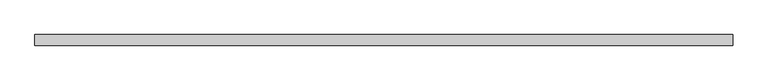
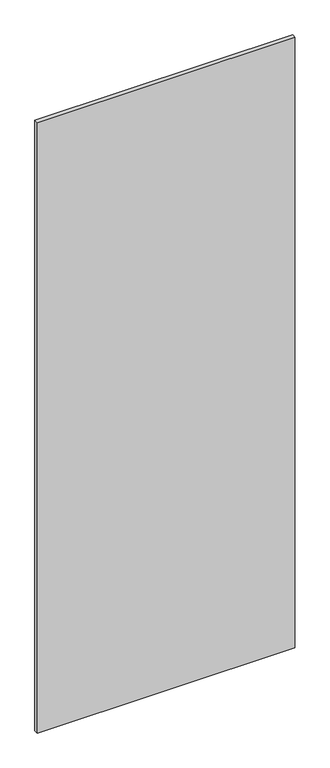
"""IFC4 building model written with IfcOpenShell, lengths in millimetres: proxy geometry."""

from ifc_helpers import new_model, si_unit, frame, origin, place, context, project, spatial, polyline, outline, extrude, source, transform, mapped, element, save


def specialty_equipment_042def60(model_context):
    return source(origin(), model_context, "Body", "SweptSolid", [
        extrude(outline(polyline([(601.3704, -9.525), (-601.3704, -9.525), (-601.3704, 9.525), (601.3704, 9.525), (601.3704, -9.525)])), frame((0.0, 0.0, 3.175), z_axis=(0.0, 0.0, 1.0), x_axis=(1.0, 0.0, 0.0)), (0.0, 0.0, 1.0), 3013.075),
    ])


if __name__ == "__main__":
    model = new_model("IFC4")
    model_context = context("Model", 3, world=origin())
    ifc_project = project(units=[si_unit("LENGTHUNIT", "METRE", prefix="MILLI")], contexts=[model_context])
    site = spatial("IfcSite", under=ifc_project)
    building = spatial("IfcBuilding", under=site)
    placement = place(None, origin())
    specialty_equipment_shape = specialty_equipment_042def60(model_context)
    element("IfcBuildingElementProxy", 1, Name="Specialty Equipment", at=placement, inside=building, context=model_context, shape_type="MappedRepresentation", body=[
        mapped(specialty_equipment_shape, transform((0.0, 0.0, 0.0), x_axis=(1.0, 0.0, 0.0), y_axis=(0.0, 1.0, 0.0), z_axis=(0.0, 0.0, 1.0))),
    ])
    save(model, "model.ifc")
